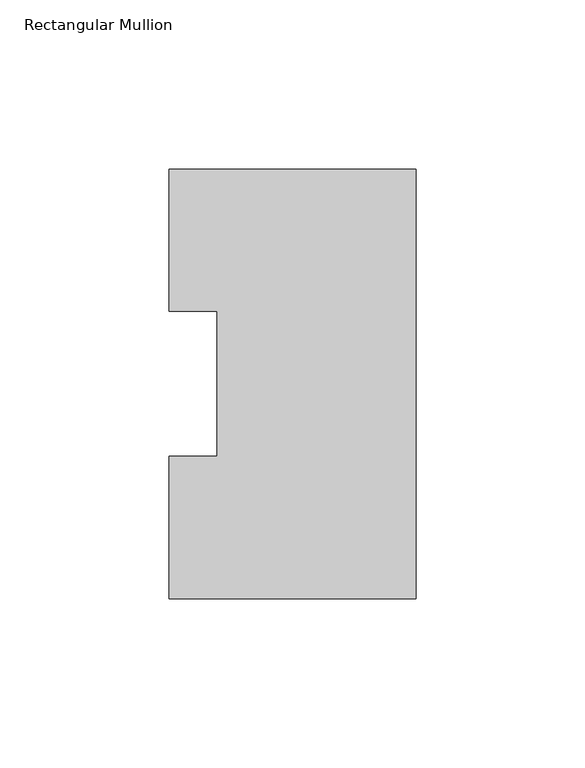
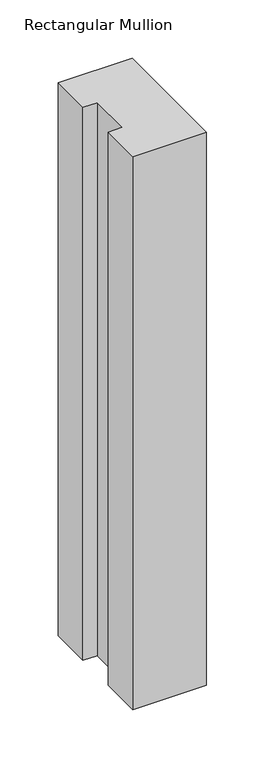
"""IFC4 building model written with IfcOpenShell, lengths in millimetres: member geometry, Rectangular Mullion."""

from ifc_helpers import new_model, si_unit, frame, origin, place, context, project, spatial, polyline, outline, extrude, source, transform, mapped, element, save


def rectangular_mullion_0947f518(model_context):
    return source(origin(), model_context, "Body", "SweptSolid", [
        extrude(outline(polyline([(0.0, 127.006348), (0.0, 0.0063465), (-73.025, 0.0063465), (-73.025, 42.0814491), (-58.7375, 42.0814491), (-58.7375, 84.93125), (-73.025, 84.93125), (-73.025, 127.006348), (0.0, 127.006348)])), frame((0.0, 0.0, -577.8497287), z_axis=(0.0, 0.0, 1.0), x_axis=(1.0, 0.0, 0.0)), (0.0, 0.0, 1.0), 577.8497287),
    ])


if __name__ == "__main__":
    model = new_model("IFC4")
    model_context = context("Model", 3, world=origin())
    ifc_project = project(units=[si_unit("LENGTHUNIT", "METRE", prefix="MILLI")], contexts=[model_context])
    site = spatial("IfcSite", under=ifc_project)
    building = spatial("IfcBuilding", under=site)
    placement = place(None, origin())
    rectangular_mullion_shape = rectangular_mullion_0947f518(model_context)
    element("IfcMember", 1, ObjectType="Rectangular Mullion", at=placement, inside=building, context=model_context, shape_type="MappedRepresentation", body=[
        mapped(rectangular_mullion_shape, transform((0.0, 0.0, 0.0), x_axis=(1.0, 0.0, 0.0), y_axis=(0.0, 1.0, 0.0), z_axis=(0.0, 0.0, 1.0))),
    ])
    save(model, "model.ifc")
